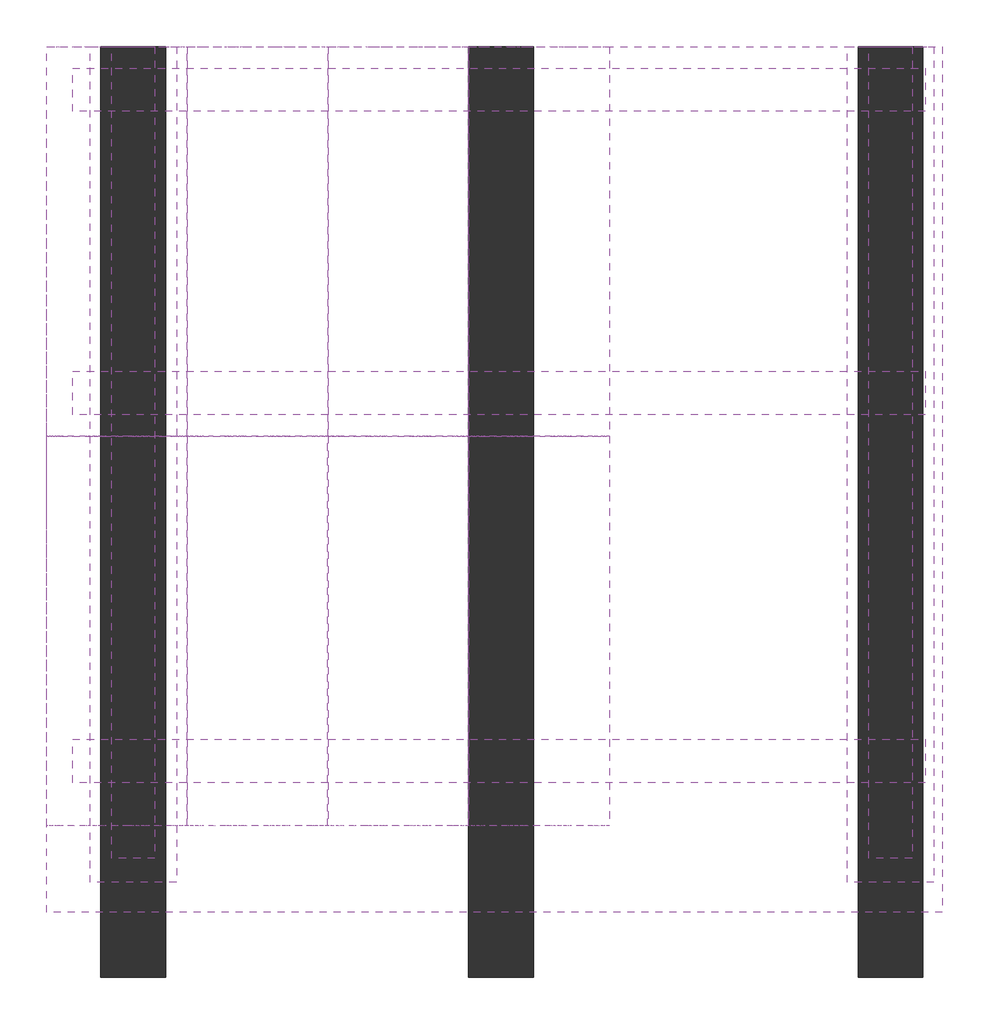
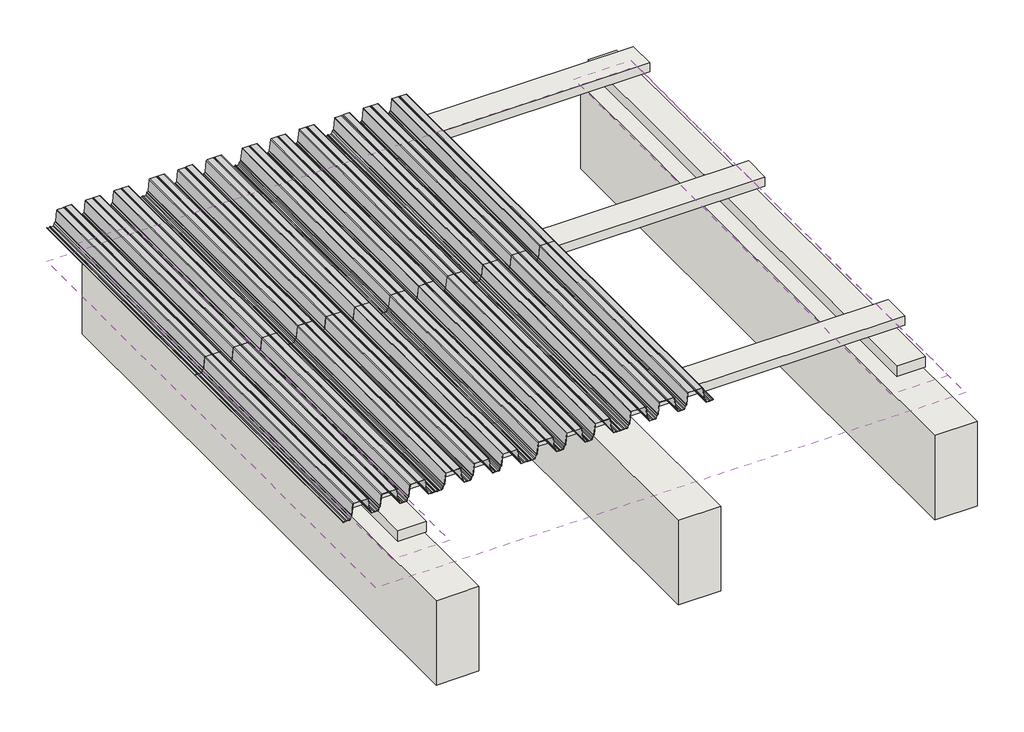
# One storey: 8 proxies, 8 walls, 3 coverings.
"""IFC4 building model written with IfcOpenShell, lengths in millimetres."""

import ifcopenshell
import ifcopenshell.guid

model = None  # the IFC model being written
_history = None  # IfcOwnerHistory: only IFC2X3 demands one
_inside = {}  # id of a spatial element -> (the spatial element, [elements in it])
_under = {}  # id of a project, library or spatial element -> (it, [spatial elements below it])
_declared = {}  # id of a project -> (the project, [libraries it declares])
_typed = {}  # id of a type object -> (the type object, [elements of that type])
_made_of = {}  # id of a material, layer set ... -> (it, [elements and type objects made of it])


def new_model(schema):
    """Start an empty IFC model of exactly this schema.

    Asked for "IFC4X3", IfcOpenShell would pick the latest addendum, in which some entities
    have other attributes; the version numbers below select the first issue.
    IFC2X3 requires an IfcOwnerHistory on every rooted entity: one is made here for all.
    """
    global model, _history
    if schema == "IFC4X3":
        model = ifcopenshell.file(schema_version=(4, 3, 0, 0))
    else:
        model = ifcopenshell.file(schema=schema)
    _inside.clear()
    _under.clear()
    _declared.clear()
    _typed.clear()
    _made_of.clear()
    _history = None
    if model.schema == "IFC2X3":
        org = make("IfcOrganization", Name="unknown")
        user = make(
            "IfcPersonAndOrganization",
            ThePerson=make("IfcPerson", FamilyName="unknown"),
            TheOrganization=org,
        )
        app = make(
            "IfcApplication",
            ApplicationDeveloper=org,
            Version="unknown",
            ApplicationFullName="unknown",
            ApplicationIdentifier="unknown",
        )
        _history = make(
            "IfcOwnerHistory",
            OwningUser=user,
            OwningApplication=app,
            ChangeAction="ADDED",
            CreationDate=0,
        )
    return model


def make(cls, **values):
    """One entity of the class cls with the attributes given. An attribute that is None is left unset."""
    return model.create_entity(
        cls, **{name: value for name, value in values.items() if value is not None}
    )


def rooted(cls, **values):
    """An entity with a GlobalId (a new one), such as an element, a storey or a relation."""
    return make(cls, GlobalId=ifcopenshell.guid.new(), OwnerHistory=_history, **values)


def si_unit(unit_type, name, prefix=None):
    """IfcSIUnit, for example si_unit("LENGTHUNIT", "METRE", prefix="MILLI")."""
    return make("IfcSIUnit", UnitType=unit_type, Prefix=prefix, Name=name)


def assignment(units):
    """IfcUnitAssignment: the units of a project."""
    return None if units is None else make("IfcUnitAssignment", Units=units)


def point(xyz):
    """IfcCartesianPoint."""
    return None if xyz is None else make("IfcCartesianPoint", Coordinates=xyz)


def direction(xyz):
    """IfcDirection."""
    return None if xyz is None else make("IfcDirection", DirectionRatios=xyz)


def frame(location, z_axis=None, x_axis=None):
    """IfcAxis2Placement3D, a coordinate frame: its origin and axes. An axis left out is left unset."""
    return make(
        "IfcAxis2Placement3D",
        Location=point(location),
        Axis=direction(z_axis),
        RefDirection=direction(x_axis),
    )


def frame_2d(location, x_axis=None):
    """IfcAxis2Placement2D, a coordinate frame in the plane: its origin and x axis."""
    return make(
        "IfcAxis2Placement2D", Location=point(location), RefDirection=direction(x_axis)
    )


def origin():
    """The frame at (0, 0, 0) with its axes left unset."""
    return frame((0.0, 0.0, 0.0))


def place(relative_to, where):
    """IfcLocalPlacement: puts the frame where relative to a parent placement (None: the world)."""
    return make(
        "IfcLocalPlacement", PlacementRelTo=relative_to, RelativePlacement=where
    )


def context(
    kind, dimensions, precision=None, world=None, true_north=None, identifier=None
):
    """IfcGeometricRepresentationContext, for example the 3D "Model" context."""
    return make(
        "IfcGeometricRepresentationContext",
        ContextIdentifier=identifier,
        ContextType=kind,
        CoordinateSpaceDimension=dimensions,
        Precision=precision,
        WorldCoordinateSystem=world,
        TrueNorth=true_north,
    )


def project(units=None, contexts=None):
    """IfcProject with its units and contexts."""
    return rooted(
        "IfcProject",
        Name="project",
        RepresentationContexts=contexts,
        UnitsInContext=assignment(units),
    )


def spatial(cls, under=None, at=None, **own):
    """A site, building, storey or space (cls), placed at a placement, below another one or the project."""
    s = rooted(cls, ObjectPlacement=at, **own)
    if under is not None:
        _under.setdefault(under.id(), (under, []))[1].append(s)
    return s


def polyline(points):
    """IfcPolyline through the points."""
    return make("IfcPolyline", Points=[point(p) for p in points])


def circle_curve(where, radius):
    """IfcCircle in the frame where."""
    return make("IfcCircle", Position=where, Radius=radius)


def trimmed(basis, trim1, trim2, sense, master):
    """IfcTrimmedCurve: the piece of a basis curve between two trims."""
    return make(
        "IfcTrimmedCurve",
        BasisCurve=basis,
        Trim1=trim1,
        Trim2=trim2,
        SenseAgreement=sense,
        MasterRepresentation=master,
    )


def segment(curve, same_sense, transition):
    """IfcCompositeCurveSegment."""
    return make(
        "IfcCompositeCurveSegment",
        Transition=transition,
        SameSense=same_sense,
        ParentCurve=curve,
    )


def composite_curve(segments, self_intersect=None):
    """IfcCompositeCurve: segments joined end to end."""
    return make("IfcCompositeCurve", Segments=segments, SelfIntersect=self_intersect)


def outline(outer, holes=None, kind="AREA"):
    """IfcArbitraryClosedProfileDef: a profile drawn as a closed curve; with holes, ...WithVoids."""
    if holes is None:
        return make("IfcArbitraryClosedProfileDef", ProfileType=kind, OuterCurve=outer)
    return make(
        "IfcArbitraryProfileDefWithVoids",
        ProfileType=kind,
        OuterCurve=outer,
        InnerCurves=holes,
    )


def extrude(swept, where, along, depth):
    """IfcExtrudedAreaSolid: the profile swept, set in the frame where, extruded along a direction by depth."""
    return make(
        "IfcExtrudedAreaSolid",
        SweptArea=swept,
        Position=where,
        ExtrudedDirection=direction(along),
        Depth=depth,
    )


def shape(context_of_items, identifier, shape_type, items):
    """IfcShapeRepresentation: the items that make up one representation, for example the "Body"."""
    return make(
        "IfcShapeRepresentation",
        ContextOfItems=context_of_items,
        RepresentationIdentifier=identifier,
        RepresentationType=shape_type,
        Items=items,
    )


def source(mapping_origin, context_of_items, identifier, shape_type, items):
    """IfcRepresentationMap: a shape defined once, which mapped items show again and again."""
    return make(
        "IfcRepresentationMap",
        MappingOrigin=mapping_origin,
        MappedRepresentation=shape(context_of_items, identifier, shape_type, items),
    )


def transform(
    local_origin,
    x_axis=None,
    y_axis=None,
    z_axis=None,
    scale=None,
    scale2=None,
    scale3=None,
    uniform=True,
):
    """IfcCartesianTransformationOperator3D, or its non-uniform kind. x_axis, y_axis, z_axis: its Axis1, 2, 3."""
    if uniform:
        return make(
            "IfcCartesianTransformationOperator3D",
            Axis1=direction(x_axis),
            Axis2=direction(y_axis),
            LocalOrigin=point(local_origin),
            Scale=scale,
            Axis3=direction(z_axis),
        )
    return make(
        "IfcCartesianTransformationOperator3DnonUniform",
        Axis1=direction(x_axis),
        Axis2=direction(y_axis),
        LocalOrigin=point(local_origin),
        Scale=scale,
        Axis3=direction(z_axis),
        Scale2=scale2,
        Scale3=scale3,
    )


def mapped(mapping_source, mapping_target):
    """IfcMappedItem: shows the shape of a source again, moved by a transform."""
    return make(
        "IfcMappedItem", MappingSource=mapping_source, MappingTarget=mapping_target
    )


def made_of(thing, what):
    """Note that an element or type object is made of a material, layer set ...; save() writes the relation."""
    if what is not None:
        _made_of.setdefault(what.id(), (what, []))[1].append(thing)
    return thing


def element(
    cls,
    number,
    at=None,
    inside=None,
    cuts=None,
    type_object=None,
    material=None,
    context=None,
    identifier="Body",
    shape_type=None,
    held_by="IfcProductDefinitionShape",
    body=None,
    shapes=None,
    **own,
):
    """One element of the class cls, such as IfcWall. Its Tag is "e" and its number.

    at: its placement. inside: the storey or other place that contains it. cuts: it is an
    opening in that element (IfcRelVoidsElement). A single representation is given by context,
    identifier, shape_type and body (its items); several are given by shapes. held_by: the class
    of the entity that holds the representations. save() writes the other relations.
    """
    e = rooted(cls, Tag="e%d" % number, ObjectPlacement=at, **own)
    if body is not None:
        shapes = [shape(context, identifier, shape_type, body)]
    if shapes is not None:
        e.Representation = make(held_by, Representations=shapes)
    if inside is not None:
        _inside.setdefault(inside.id(), (inside, []))[1].append(e)
    if cuts is not None:
        rooted(
            "IfcRelVoidsElement", RelatingBuildingElement=cuts, RelatedOpeningElement=e
        )
    if type_object is not None:
        _typed.setdefault(type_object.id(), (type_object, []))[1].append(e)
    return made_of(e, material)


def aggregate(whole, parts):
    """IfcRelAggregates: a whole, such as a stair, and the parts it consists of."""
    return rooted("IfcRelAggregates", RelatingObject=whole, RelatedObjects=parts)


def save(model, path):
    """Write the relations noted so far, then the file.

    IfcRelAggregates (storeys below a building ...), IfcRelContainedInSpatialStructure (elements
    in a storey), IfcRelDefinesByType, IfcRelAssociatesMaterial and IfcRelDeclares: one each for
    every whole, place, type object, material and project.
    """
    for whole, parts in _under.values():
        aggregate(whole, parts)
    for where, things in _inside.values():
        rooted(
            "IfcRelContainedInSpatialStructure",
            RelatedElements=things,
            RelatingStructure=where,
        )
    for kind, things in _typed.values():
        rooted("IfcRelDefinesByType", RelatedObjects=things, RelatingType=kind)
    for what, things in _made_of.values():
        rooted("IfcRelAssociatesMaterial", RelatedObjects=things, RelatingMaterial=what)
    for by, libraries in _declared.values():
        rooted("IfcRelDeclares", RelatingContext=by, RelatedDefinitions=libraries)
    model.write(path)


def generic_models_1b45e0c8(model_context):
    return source(origin(), model_context, "Body", "SweptSolid", [
        extrude(outline(composite_curve([segment(trimmed(circle_curve(frame_2d((324.6441913, 113.8058949)), 3.6361245), [point((321.3795042, 112.204889))], [point((327.9088783, 112.204889))], True, "CARTESIAN"), True, "CONTINUOUS"), segment(trimmed(circle_curve(frame_2d((330.4708747, 110.9484833)), 2.8534857), [point((327.9088783, 112.204889))], [point((330.4708747, 113.801969))], False, "CARTESIAN"), True, "CONTINUOUS"), segment(polyline([(330.4708747, 113.801969), (373.4492703, 113.801969)]), True, "CONTINUOUS"), segment(trimmed(circle_curve(frame_2d((373.4492703, 109.0613218)), 4.7406472), [point((373.4492703, 113.801969))], [point((378.1008152, 109.9761257))], False, "CARTESIAN"), True, "CONTINUOUS"), segment(polyline([(378.1008152, 109.9761257), (386.0015759, 30.7769056)]), True, "CONTINUOUS"), segment(trimmed(circle_curve(frame_2d((391.2153598, 31.2970226)), 5.2396627), [point((386.0015759, 30.7769056))], [point((387.7190783, 27.394449))], True, "CARTESIAN"), True, "CONTINUOUS"), segment(polyline([(387.7190783, 27.394449), (394.9225297, 20.9409399)]), True, "CONTINUOUS"), segment(trimmed(circle_curve(frame_2d((391.7592274, 17.41004)), 4.7406472), [point((394.9225297, 20.9409399))], [point((396.4111087, 18.3231312))], False, "CARTESIAN"), True, "CONTINUOUS"), segment(polyline([(396.4111087, 18.3231312), (399.2223324, 5.0268078)]), True, "CONTINUOUS"), segment(trimmed(circle_curve(frame_2d((404.3631679, 6.0396627)), 5.2396627), [point((399.2223324, 5.0268078))], [point((404.3631679, 0.8))], True, "CARTESIAN"), True, "CONTINUOUS"), segment(polyline([(404.3631679, 0.8), (418.2385012, 0.8)]), True, "CONTINUOUS"), segment(trimmed(circle_curve(frame_2d((418.2385012, 3.6534857)), 2.8534857), [point((418.2385012, 0.8))], [point((420.8004976, 2.39708))], True, "CARTESIAN"), True, "CONTINUOUS"), segment(trimmed(circle_curve(frame_2d((424.0651846, 0.7960741)), 3.6361245), [point((420.8004976, 2.39708))], [point((427.4480898, 2.1292486))], False, "CARTESIAN"), True, "CONTINUOUS"), segment(trimmed(circle_curve(frame_2d((429.4296465, 2.9101634)), 2.1298815), [point((427.4480898, 2.1292486))], [point((429.1405005, 0.8))], True, "CARTESIAN"), True, "CONTINUOUS"), segment(polyline([(429.1405005, 0.8), (445.0579936, 0.8)]), True, "CONTINUOUS"), segment(trimmed(circle_curve(frame_2d((445.0579936, 6.0396627)), 5.2396627), [point((445.0579936, 0.8))], [point((450.1991748, 5.0285637))], True, "CARTESIAN"), True, "CONTINUOUS"), segment(polyline([(450.1991748, 5.0285637), (453.0103893, 19.3228748)]), True, "CONTINUOUS"), segment(trimmed(circle_curve(frame_2d((457.6619342, 18.408071)), 4.7406472), [point((453.0103893, 19.3228748))], [point((454.4986319, 21.9389709))], False, "CARTESIAN"), True, "CONTINUOUS"), segment(polyline([(454.4986319, 21.9389709), (461.7020833, 28.39248)]), True, "CONTINUOUS"), segment(trimmed(circle_curve(frame_2d((458.2058017, 32.2950536)), 5.2396627), [point((461.7020833, 28.39248))], [point((463.4195857, 31.7749366))], True, "CARTESIAN"), True, "CONTINUOUS"), segment(polyline([(463.4195857, 31.7749366), (471.3203464, 110.9741566)]), True, "CONTINUOUS"), segment(trimmed(circle_curve(frame_2d((475.9718912, 110.0593528)), 4.7406472), [point((471.3203464, 110.9741566))], [point((475.9718912, 114.8))], False, "CARTESIAN"), True, "CONTINUOUS"), segment(polyline([(475.9718912, 114.8), (519.1233624, 114.8)]), True, "CONTINUOUS"), segment(trimmed(circle_curve(frame_2d((519.4125084, 112.6898366)), 2.1298815), [point((519.1233624, 114.8))], [point((521.3940652, 113.4707514))], False, "CARTESIAN"), True, "CONTINUOUS"), segment(trimmed(circle_curve(frame_2d((524.7769703, 114.8039259)), 3.6361245), [point((521.3940652, 113.4707514))], [point((528.0416574, 113.20292))], True, "CARTESIAN"), True, "CONTINUOUS"), segment(trimmed(circle_curve(frame_2d((530.6036537, 111.9465143)), 2.8534857), [point((528.0416574, 113.20292))], [point((530.6036537, 114.8))], False, "CARTESIAN"), True, "CONTINUOUS"), segment(polyline([(530.6036537, 114.8), (573.289288, 114.8)]), True, "CONTINUOUS"), segment(trimmed(circle_curve(frame_2d((573.289288, 110.0593528)), 4.7406472), [point((573.289288, 114.8))], [point((577.9408329, 110.9741566))], False, "CARTESIAN"), True, "CONTINUOUS"), segment(polyline([(577.9408329, 110.9741566), (585.8415936, 31.7749366)]), True, "CONTINUOUS"), segment(trimmed(circle_curve(frame_2d((591.0553775, 32.2950536)), 5.2396627), [point((585.8415936, 31.7749366))], [point((587.559096, 28.39248))], True, "CARTESIAN"), True, "CONTINUOUS"), segment(polyline([(587.559096, 28.39248), (594.7625474, 21.9389709)]), True, "CONTINUOUS"), segment(trimmed(circle_curve(frame_2d((591.5992451, 18.408071)), 4.7406472), [point((594.7625474, 21.9389709))], [point((596.25079, 19.3228748))], False, "CARTESIAN"), True, "CONTINUOUS"), segment(polyline([(596.25079, 19.3228748), (599.0620045, 5.0285637)]), True, "CONTINUOUS"), segment(trimmed(circle_curve(frame_2d((604.2031856, 6.0396627)), 5.2396627), [point((599.0620045, 5.0285637))], [point((604.2031856, 0.8))], True, "CARTESIAN"), True, "CONTINUOUS"), segment(polyline([(604.2031856, 0.8), (620.1206788, 0.8)]), True, "CONTINUOUS"), segment(trimmed(circle_curve(frame_2d((619.8315328, 2.9101634)), 2.1298815), [point((620.1206788, 0.8))], [point((621.8130895, 2.1292486))], True, "CARTESIAN"), True, "CONTINUOUS"), segment(trimmed(circle_curve(frame_2d((625.1959947, 0.7960741)), 3.6361245), [point((621.8130895, 2.1292486))], [point((628.5788998, 2.1292486))], False, "CARTESIAN"), True, "CONTINUOUS"), segment(trimmed(circle_curve(frame_2d((630.5604565, 2.9101634)), 2.1298815), [point((628.5788998, 2.1292486))], [point((630.2713105, 0.8))], True, "CARTESIAN"), True, "CONTINUOUS"), segment(polyline([(630.2713105, 0.8), (644.1927417, 0.8)]), True, "CONTINUOUS"), segment(trimmed(circle_curve(frame_2d((644.1927417, 6.0396627)), 5.2396627), [point((644.1927417, 0.8))], [point((649.2883825, 4.8196179))], True, "CARTESIAN"), True, "CONTINUOUS"), segment(polyline([(649.2883825, 4.8196179), (650.0663931, 4.6333395)]), True, "CONTINUOUS"), segment(trimmed(circle_curve(frame_2d((644.1927417, 6.0396627)), 6.0396627), [point((650.0663931, 4.6333395))], [point((644.1927417, 0.0))], False, "CARTESIAN"), True, "CONTINUOUS"), segment(polyline([(644.1927417, 0.0), (630.2211126, 0.0)]), True, "CONTINUOUS"), segment(trimmed(circle_curve(frame_2d((630.5604565, 2.9101634)), 2.9298815), [point((630.2211126, 0.0))], [point((627.8346117, 1.8359309))], False, "CARTESIAN"), True, "CONTINUOUS"), segment(trimmed(circle_curve(frame_2d((625.1959947, 0.7960741)), 2.8361245), [point((627.8346117, 1.8359309))], [point((622.5573776, 1.8359309))], True, "CARTESIAN"), True, "CONTINUOUS"), segment(trimmed(circle_curve(frame_2d((619.8315328, 2.9101634)), 2.9298815), [point((622.5573776, 1.8359309))], [point((620.1708767, 0.0))], False, "CARTESIAN"), True, "CONTINUOUS"), segment(polyline([(620.1708767, 0.0), (604.2031856, 0.0)]), True, "CONTINUOUS"), segment(trimmed(circle_curve(frame_2d((604.2031856, 6.0396627)), 6.0396627), [point((604.2031856, 0.0))], [point((598.2770408, 4.8741875))], False, "CARTESIAN"), True, "CONTINUOUS"), segment(polyline([(598.2770408, 4.8741875), (595.4658263, 19.1684986)]), True, "CONTINUOUS"), segment(trimmed(circle_curve(frame_2d((591.5992451, 18.408071)), 3.9406472), [point((595.4658263, 19.1684986))], [point((594.2287296, 21.3431197))], True, "CARTESIAN"), True, "CONTINUOUS"), segment(polyline([(594.2287296, 21.3431197), (587.0252782, 27.7966289)]), True, "CONTINUOUS"), segment(trimmed(circle_curve(frame_2d((591.0553775, 32.2950536)), 6.0396627), [point((587.0252782, 27.7966289))], [point((585.0455448, 31.6955243))], False, "CARTESIAN"), True, "CONTINUOUS"), segment(polyline([(585.0455448, 31.6955243), (577.1487237, 110.8552525)]), True, "CONTINUOUS"), segment(trimmed(circle_curve(frame_2d((573.289288, 110.0593528)), 3.9406472), [point((577.1487237, 110.8552525))], [point((573.289288, 114.0))], True, "CARTESIAN"), True, "CONTINUOUS"), segment(polyline([(573.289288, 114.0), (530.6036537, 114.0)]), True, "CONTINUOUS"), segment(trimmed(circle_curve(frame_2d((530.6036537, 111.9465143)), 2.0534857), [point((530.6036537, 114.0))], [point((528.7599357, 112.8506755))], True, "CARTESIAN"), True, "CONTINUOUS"), segment(trimmed(circle_curve(frame_2d((524.7769703, 114.8039259)), 4.4361245), [point((528.7599357, 112.8506755))], [point((520.6497771, 113.1774338))], False, "CARTESIAN"), True, "CONTINUOUS"), segment(trimmed(circle_curve(frame_2d((519.4125084, 112.6898366)), 1.3298815), [point((520.6497771, 113.1774338))], [point((519.1843494, 114.0))], True, "CARTESIAN"), True, "CONTINUOUS"), segment(polyline([(519.1843494, 114.0), (475.9718912, 114.0)]), True, "CONTINUOUS"), segment(trimmed(circle_curve(frame_2d((475.9718912, 110.0593528)), 3.9406472), [point((475.9718912, 114.0))], [point((472.1124555, 110.8552525))], True, "CARTESIAN"), True, "CONTINUOUS"), segment(polyline([(472.1124555, 110.8552525), (464.2156345, 31.6955243)]), True, "CONTINUOUS"), segment(trimmed(circle_curve(frame_2d((458.2058017, 32.2950536)), 6.0396627), [point((464.2156345, 31.6955243))], [point((462.2359011, 27.7966289))], False, "CARTESIAN"), True, "CONTINUOUS"), segment(polyline([(462.2359011, 27.7966289), (455.0324497, 21.3431197)]), True, "CONTINUOUS"), segment(trimmed(circle_curve(frame_2d((457.6619342, 18.408071)), 3.9406472), [point((455.0324497, 21.3431197))], [point((453.795353, 19.1684986))], True, "CARTESIAN"), True, "CONTINUOUS"), segment(polyline([(453.795353, 19.1684986), (450.9841385, 4.8741875)]), True, "CONTINUOUS"), segment(trimmed(circle_curve(frame_2d((445.0579936, 6.0396627)), 6.0396627), [point((450.9841385, 4.8741875))], [point((445.0579936, 0.0))], False, "CARTESIAN"), True, "CONTINUOUS"), segment(polyline([(445.0579936, 0.0), (429.0903025, 0.0)]), True, "CONTINUOUS"), segment(trimmed(circle_curve(frame_2d((429.4296465, 2.9101634)), 2.9298815), [point((429.0903025, 0.0))], [point((426.7038017, 1.8359309))], False, "CARTESIAN"), True, "CONTINUOUS"), segment(trimmed(circle_curve(frame_2d((424.0651846, 0.7960741)), 2.8361245), [point((426.7038017, 1.8359309))], [point((421.518776, 2.0448356))], True, "CARTESIAN"), True, "CONTINUOUS"), segment(trimmed(circle_curve(frame_2d((418.2385012, 3.6534857)), 3.6534857), [point((421.518776, 2.0448356))], [point((418.2385012, 0.0))], False, "CARTESIAN"), True, "CONTINUOUS"), segment(polyline([(418.2385012, 0.0), (404.3631679, 0.0)]), True, "CONTINUOUS"), segment(trimmed(circle_curve(frame_2d((404.3631679, 6.0396627)), 6.0396627), [point((404.3631679, 0.0))], [point((398.4385315, 4.8665436))], False, "CARTESIAN"), True, "CONTINUOUS"), segment(polyline([(398.4385315, 4.8665436), (395.6271529, 18.1635996)]), True, "CONTINUOUS"), segment(trimmed(circle_curve(frame_2d((391.7592274, 17.41004)), 3.9406472), [point((395.6271529, 18.1635996))], [point((394.3887119, 20.3450888))], True, "CARTESIAN"), True, "CONTINUOUS"), segment(polyline([(394.3887119, 20.3450888), (387.1852605, 26.7985979)]), True, "CONTINUOUS"), segment(trimmed(circle_curve(frame_2d((391.2153598, 31.2970226)), 6.0396627), [point((387.1852605, 26.7985979))], [point((385.2055271, 30.6974933))], False, "CARTESIAN"), True, "CONTINUOUS"), segment(polyline([(385.2055271, 30.6974933), (377.308706, 109.8572215)]), True, "CONTINUOUS"), segment(trimmed(circle_curve(frame_2d((373.4492703, 109.0613218)), 3.9406472), [point((377.308706, 109.8572215))], [point((373.4492703, 113.001969))], True, "CARTESIAN"), True, "CONTINUOUS"), segment(polyline([(373.4492703, 113.001969), (330.4708747, 113.001969)]), True, "CONTINUOUS"), segment(trimmed(circle_curve(frame_2d((330.4708747, 110.9484833)), 2.0534857), [point((330.4708747, 113.001969))], [point((328.6271567, 111.8526445))], True, "CARTESIAN"), True, "CONTINUOUS"), segment(trimmed(circle_curve(frame_2d((324.6441913, 113.8058949)), 4.4361245), [point((328.6271567, 111.8526445))], [point((320.6612258, 111.8526445))], False, "CARTESIAN"), True, "CONTINUOUS"), segment(trimmed(circle_curve(frame_2d((318.8175079, 110.9484833)), 2.0534857), [point((320.6612258, 111.8526445))], [point((318.8175079, 113.001969))], True, "CARTESIAN"), True, "CONTINUOUS"), segment(polyline([(318.8175079, 113.001969), (275.8391122, 113.001969)]), True, "CONTINUOUS"), segment(trimmed(circle_curve(frame_2d((275.8391122, 109.0613218)), 3.9406472), [point((275.8391122, 113.001969))], [point((271.9796765, 109.8572215))], True, "CARTESIAN"), True, "CONTINUOUS"), segment(polyline([(271.9796765, 109.8572215), (264.0828555, 30.6974933)]), True, "CONTINUOUS"), segment(trimmed(circle_curve(frame_2d((258.0730227, 31.2970226)), 6.0396627), [point((264.0828555, 30.6974933))], [point((262.103122, 26.7985979))], False, "CARTESIAN"), True, "CONTINUOUS"), segment(polyline([(262.103122, 26.7985979), (254.8996706, 20.3450888)]), True, "CONTINUOUS"), segment(trimmed(circle_curve(frame_2d((257.5291552, 17.41004)), 3.9406472), [point((254.8996706, 20.3450888))], [point((253.6612296, 18.1635996))], True, "CARTESIAN"), True, "CONTINUOUS"), segment(polyline([(253.6612296, 18.1635996), (250.849851, 4.8665436)]), True, "CONTINUOUS"), segment(trimmed(circle_curve(frame_2d((244.9252146, 6.0396627)), 6.0396627), [point((250.849851, 4.8665436))], [point((244.9252146, 0.0))], False, "CARTESIAN"), True, "CONTINUOUS"), segment(polyline([(244.9252146, 0.0), (231.0498813, 0.0)]), True, "CONTINUOUS"), segment(trimmed(circle_curve(frame_2d((231.0498813, 3.6534857)), 3.6534857), [point((231.0498813, 0.0))], [point((227.7696066, 2.0448356))], False, "CARTESIAN"), True, "CONTINUOUS"), segment(trimmed(circle_curve(frame_2d((225.2231979, 0.7960741)), 2.8361245), [point((227.7696066, 2.0448356))], [point((222.5845808, 1.8359309))], True, "CARTESIAN"), True, "CONTINUOUS"), segment(trimmed(circle_curve(frame_2d((219.858736, 2.9101634)), 2.9298815), [point((222.5845808, 1.8359309))], [point((220.19808, 0.0))], False, "CARTESIAN"), True, "CONTINUOUS"), segment(polyline([(220.19808, 0.0), (204.2303889, 0.0)]), True, "CONTINUOUS"), segment(trimmed(circle_curve(frame_2d((204.2303889, 6.0396627)), 6.0396627), [point((204.2303889, 0.0))], [point((198.304244, 4.8741875))], False, "CARTESIAN"), True, "CONTINUOUS"), segment(polyline([(198.304244, 4.8741875), (195.4930295, 19.1684986)]), True, "CONTINUOUS"), segment(trimmed(circle_curve(frame_2d((191.6264483, 18.408071)), 3.9406472), [point((195.4930295, 19.1684986))], [point((194.2559329, 21.3431197))], True, "CARTESIAN"), True, "CONTINUOUS"), segment(polyline([(194.2559329, 21.3431197), (187.0524815, 27.7966289)]), True, "CONTINUOUS"), segment(trimmed(circle_curve(frame_2d((191.0825808, 32.2950536)), 6.0396627), [point((187.0524815, 27.7966289))], [point((185.072748, 31.6955243))], False, "CARTESIAN"), True, "CONTINUOUS"), segment(polyline([(185.072748, 31.6955243), (177.175927, 110.8552525)]), True, "CONTINUOUS"), segment(trimmed(circle_curve(frame_2d((173.3164913, 110.0593528)), 3.9406472), [point((177.175927, 110.8552525))], [point((173.3164913, 114.0))], True, "CARTESIAN"), True, "CONTINUOUS"), segment(polyline([(173.3164913, 114.0), (130.1040332, 114.0)]), True, "CONTINUOUS"), segment(trimmed(circle_curve(frame_2d((129.8758741, 112.6898366)), 1.3298815), [point((130.1040332, 114.0))], [point((128.6386055, 113.1774338))], True, "CARTESIAN"), True, "CONTINUOUS"), segment(trimmed(circle_curve(frame_2d((124.5114122, 114.8039259)), 4.4361245), [point((128.6386055, 113.1774338))], [point((120.5284468, 112.8506755))], False, "CARTESIAN"), True, "CONTINUOUS"), segment(trimmed(circle_curve(frame_2d((118.6847288, 111.9465143)), 2.0534857), [point((120.5284468, 112.8506755))], [point((118.6847288, 114.0))], True, "CARTESIAN"), True, "CONTINUOUS"), segment(polyline([(118.6847288, 114.0), (75.9990945, 114.0)]), True, "CONTINUOUS"), segment(trimmed(circle_curve(frame_2d((75.9990945, 110.0593528)), 3.9406472), [point((75.9990945, 114.0))], [point((72.1396588, 110.8552525))], True, "CARTESIAN"), True, "CONTINUOUS"), segment(polyline([(72.1396588, 110.8552525), (64.2428378, 31.6955243)]), True, "CONTINUOUS"), segment(trimmed(circle_curve(frame_2d((58.233005, 32.2950536)), 6.0396627), [point((64.2428378, 31.6955243))], [point((62.2631043, 27.7966289))], False, "CARTESIAN"), True, "CONTINUOUS"), segment(polyline([(62.2631043, 27.7966289), (55.0596529, 21.3431197)]), True, "CONTINUOUS"), segment(trimmed(circle_curve(frame_2d((57.6891375, 18.408071)), 3.9406472), [point((55.0596529, 21.3431197))], [point((53.8225563, 19.1684986))], True, "CARTESIAN"), True, "CONTINUOUS"), segment(polyline([(53.8225563, 19.1684986), (51.0113418, 4.8741875)]), True, "CONTINUOUS"), segment(trimmed(circle_curve(frame_2d((45.0851969, 6.0396627)), 6.0396627), [point((51.0113418, 4.8741875))], [point((45.0851969, 0.0))], False, "CARTESIAN"), True, "CONTINUOUS"), segment(polyline([(45.0851969, 0.0), (29.1175058, 0.0)]), True, "CONTINUOUS"), segment(trimmed(circle_curve(frame_2d((29.4568498, 2.9101634)), 2.9298815), [point((29.1175058, 0.0))], [point((26.731005, 1.8359309))], False, "CARTESIAN"), True, "CONTINUOUS"), segment(trimmed(circle_curve(frame_2d((24.0923879, 0.7960741)), 2.8361245), [point((26.731005, 1.8359309))], [point((21.4537708, 1.8359309))], True, "CARTESIAN"), True, "CONTINUOUS"), segment(trimmed(circle_curve(frame_2d((18.727926, 2.9101634)), 2.9298815), [point((21.4537708, 1.8359309))], [point((19.06727, 0.0))], False, "CARTESIAN"), True, "CONTINUOUS"), segment(polyline([(19.06727, 0.0), (5.0956409, 0.0)]), True, "CONTINUOUS"), segment(trimmed(circle_curve(frame_2d((5.0956409, 6.0396627)), 6.0396627), [point((5.0956409, 0.0))], [point((-0.7780105, 4.6333395))], False, "CARTESIAN"), True, "CONTINUOUS"), segment(polyline([(-0.7780105, 4.6333395), (0.0, 4.8196179)]), True, "CONTINUOUS"), segment(trimmed(circle_curve(frame_2d((5.0956409, 6.0396627)), 5.2396627), [point((0.0, 4.8196179))], [point((5.0956409, 0.8))], True, "CARTESIAN"), True, "CONTINUOUS"), segment(polyline([(5.0956409, 0.8), (19.0170721, 0.8)]), True, "CONTINUOUS"), segment(trimmed(circle_curve(frame_2d((18.727926, 2.9101634)), 2.1298815), [point((19.0170721, 0.8))], [point((20.7094827, 2.1292486))], True, "CARTESIAN"), True, "CONTINUOUS"), segment(trimmed(circle_curve(frame_2d((24.0923879, 0.7960741)), 3.6361245), [point((20.7094827, 2.1292486))], [point((27.475293, 2.1292486))], False, "CARTESIAN"), True, "CONTINUOUS"), segment(trimmed(circle_curve(frame_2d((29.4568498, 2.9101634)), 2.1298815), [point((27.475293, 2.1292486))], [point((29.1677037, 0.8))], True, "CARTESIAN"), True, "CONTINUOUS"), segment(polyline([(29.1677037, 0.8), (45.0851969, 0.8)]), True, "CONTINUOUS"), segment(trimmed(circle_curve(frame_2d((45.0851969, 6.0396627)), 5.2396627), [point((45.0851969, 0.8))], [point((50.2263781, 5.0285637))], True, "CARTESIAN"), True, "CONTINUOUS"), segment(polyline([(50.2263781, 5.0285637), (53.0375926, 19.3228748)]), True, "CONTINUOUS"), segment(trimmed(circle_curve(frame_2d((57.6891375, 18.408071)), 4.7406472), [point((53.0375926, 19.3228748))], [point((54.5258351, 21.9389709))], False, "CARTESIAN"), True, "CONTINUOUS"), segment(polyline([(54.5258351, 21.9389709), (61.7292865, 28.39248)]), True, "CONTINUOUS"), segment(trimmed(circle_curve(frame_2d((58.233005, 32.2950536)), 5.2396627), [point((61.7292865, 28.39248))], [point((63.446789, 31.7749366))], True, "CARTESIAN"), True, "CONTINUOUS"), segment(polyline([(63.446789, 31.7749366), (71.3475496, 110.9741566)]), True, "CONTINUOUS"), segment(trimmed(circle_curve(frame_2d((75.9990945, 110.0593528)), 4.7406472), [point((71.3475496, 110.9741566))], [point((75.9990945, 114.8))], False, "CARTESIAN"), True, "CONTINUOUS"), segment(polyline([(75.9990945, 114.8), (118.6847288, 114.8)]), True, "CONTINUOUS"), segment(trimmed(circle_curve(frame_2d((118.6847288, 111.9465143)), 2.8534857), [point((118.6847288, 114.8))], [point((121.2467252, 113.20292))], False, "CARTESIAN"), True, "CONTINUOUS"), segment(trimmed(circle_curve(frame_2d((124.5114122, 114.8039259)), 3.6361245), [point((121.2467252, 113.20292))], [point((127.8943174, 113.4707514))], True, "CARTESIAN"), True, "CONTINUOUS"), segment(trimmed(circle_curve(frame_2d((129.8758741, 112.6898366)), 2.1298815), [point((127.8943174, 113.4707514))], [point((130.1650202, 114.8))], False, "CARTESIAN"), True, "CONTINUOUS"), segment(polyline([(130.1650202, 114.8), (173.3164913, 114.8)]), True, "CONTINUOUS"), segment(trimmed(circle_curve(frame_2d((173.3164913, 110.0593528)), 4.7406472), [point((173.3164913, 114.8))], [point((177.9680362, 110.9741566))], False, "CARTESIAN"), True, "CONTINUOUS"), segment(polyline([(177.9680362, 110.9741566), (185.8687968, 31.7749366)]), True, "CONTINUOUS"), segment(trimmed(circle_curve(frame_2d((191.0825808, 32.2950536)), 5.2396627), [point((185.8687968, 31.7749366))], [point((187.5862993, 28.39248))], True, "CARTESIAN"), True, "CONTINUOUS"), segment(polyline([(187.5862993, 28.39248), (194.7897507, 21.9389709)]), True, "CONTINUOUS"), segment(trimmed(circle_curve(frame_2d((191.6264483, 18.408071)), 4.7406472), [point((194.7897507, 21.9389709))], [point((196.2779932, 19.3228748))], False, "CARTESIAN"), True, "CONTINUOUS"), segment(polyline([(196.2779932, 19.3228748), (199.0892077, 5.0285637)]), True, "CONTINUOUS"), segment(trimmed(circle_curve(frame_2d((204.2303889, 6.0396627)), 5.2396627), [point((199.0892077, 5.0285637))], [point((204.2303889, 0.8))], True, "CARTESIAN"), True, "CONTINUOUS"), segment(polyline([(204.2303889, 0.8), (220.1478821, 0.8)]), True, "CONTINUOUS"), segment(trimmed(circle_curve(frame_2d((219.858736, 2.9101634)), 2.1298815), [point((220.1478821, 0.8))], [point((221.8402928, 2.1292486))], True, "CARTESIAN"), True, "CONTINUOUS"), segment(trimmed(circle_curve(frame_2d((225.2231979, 0.7960741)), 3.6361245), [point((221.8402928, 2.1292486))], [point((228.487885, 2.39708))], False, "CARTESIAN"), True, "CONTINUOUS"), segment(trimmed(circle_curve(frame_2d((231.0498813, 3.6534857)), 2.8534857), [point((228.487885, 2.39708))], [point((231.0498813, 0.8))], True, "CARTESIAN"), True, "CONTINUOUS"), segment(polyline([(231.0498813, 0.8), (244.9252146, 0.8)]), True, "CONTINUOUS"), segment(trimmed(circle_curve(frame_2d((244.9252146, 6.0396627)), 5.2396627), [point((244.9252146, 0.8))], [point((250.0660501, 5.0268078))], True, "CARTESIAN"), True, "CONTINUOUS"), segment(polyline([(250.0660501, 5.0268078), (252.8772738, 18.3231312)]), True, "CONTINUOUS"), segment(trimmed(circle_curve(frame_2d((257.5291552, 17.41004)), 4.7406472), [point((252.8772738, 18.3231312))], [point((254.3658528, 20.9409399))], False, "CARTESIAN"), True, "CONTINUOUS"), segment(polyline([(254.3658528, 20.9409399), (261.5693042, 27.394449)]), True, "CONTINUOUS"), segment(trimmed(circle_curve(frame_2d((258.0730227, 31.2970226)), 5.2396627), [point((261.5693042, 27.394449))], [point((263.2868067, 30.7769056))], True, "CARTESIAN"), True, "CONTINUOUS"), segment(polyline([(263.2868067, 30.7769056), (271.1875673, 109.9761257)]), True, "CONTINUOUS"), segment(trimmed(circle_curve(frame_2d((275.8391122, 109.0613218)), 4.7406472), [point((271.1875673, 109.9761257))], [point((275.8391122, 113.801969))], False, "CARTESIAN"), True, "CONTINUOUS"), segment(polyline([(275.8391122, 113.801969), (318.8175079, 113.801969)]), True, "CONTINUOUS"), segment(trimmed(circle_curve(frame_2d((318.8175079, 110.9484833)), 2.8534857), [point((318.8175079, 113.801969))], [point((321.3795042, 112.204889))], False, "CARTESIAN"), True, "CONTINUOUS")], self_intersect=False)), frame((0.0, 0.0, 0.0), z_axis=(1.0, 0.0, 0.0), x_axis=(0.0, 1.0, 0.0)), (0.0, 0.0, 1.0), 1800.0),
    ])


model = new_model("IFC4")

# Units and contexts
model_context = context("Model", 3, world=origin())
ifc_project = project(units=[si_unit("LENGTHUNIT", "METRE", prefix="MILLI")], contexts=[model_context])

# Site, building, storey
site = spatial("IfcSite", under=ifc_project)
building = spatial("IfcBuilding", under=site)
storey = spatial("IfcBuildingStorey", under=building, Elevation=0.0)

# Proxies
placement = place(None, origin())
generic_models_shape = generic_models_1b45e0c8(model_context)
element("IfcBuildingElementProxy", 1, Name="Generic Models", at=placement, inside=storey, context=model_context, shape_type="MappedRepresentation", body=[
    mapped(generic_models_shape, transform((-14685.4487567, 13369.9265639, 1943.4978386), x_axis=(0.0, -1.0, 0.0), y_axis=(1.0, 0.0, 0.0), z_axis=(0.0, 0.0, 1.0))),
])
element("IfcBuildingElementProxy", 2, Name="Generic Models", at=placement, inside=storey, context=model_context, shape_type="MappedRepresentation", body=[
    mapped(generic_models_shape, transform((-14685.4487567, 11569.9265639, 1943.4978386), x_axis=(0.0, -1.0, 0.0), y_axis=(1.0, 0.0, 0.0), z_axis=(0.0, 0.0, 1.0))),
])
element("IfcBuildingElementProxy", 3, Name="Generic Models", at=placement, inside=storey, context=model_context, shape_type="MappedRepresentation", body=[
    mapped(generic_models_shape, transform((-14035.3823636, 13369.9265639, 1943.4978386), x_axis=(0.0, -1.0, 0.0), y_axis=(1.0, 0.0, 0.0), z_axis=(0.0, 0.0, 1.0))),
])
element("IfcBuildingElementProxy", 4, Name="Generic Models", at=placement, inside=storey, context=model_context, shape_type="MappedRepresentation", body=[
    mapped(generic_models_shape, transform((-14035.3823636, 11569.9265639, 1943.4978386), x_axis=(0.0, -1.0, 0.0), y_axis=(1.0, 0.0, 0.0), z_axis=(0.0, 0.0, 1.0))),
])
element("IfcBuildingElementProxy", 5, Name="Generic Models", at=placement, inside=storey, context=model_context, shape_type="MappedRepresentation", body=[
    mapped(generic_models_shape, transform((-13385.3159705, 13369.9265639, 1943.4978386), x_axis=(0.0, -1.0, 0.0), y_axis=(1.0, 0.0, 0.0), z_axis=(0.0, 0.0, 1.0))),
])
element("IfcBuildingElementProxy", 6, Name="Generic Models", at=placement, inside=storey, context=model_context, shape_type="MappedRepresentation", body=[
    mapped(generic_models_shape, transform((-12735.3159705, 13369.9265639, 1943.4978386), x_axis=(0.0, -1.0, 0.0), y_axis=(1.0, 0.0, 0.0), z_axis=(0.0, 0.0, 1.0))),
])
element("IfcBuildingElementProxy", 7, Name="Generic Models", at=placement, inside=storey, context=model_context, shape_type="MappedRepresentation", body=[
    mapped(generic_models_shape, transform((-13386.0939811, 11569.9265639, 1943.4978386), x_axis=(0.0, -1.0, 0.0), y_axis=(1.0, 0.0, 0.0), z_axis=(0.0, 0.0, 1.0))),
])
element("IfcBuildingElementProxy", 8, Name="Generic Models", at=placement, inside=storey, context=model_context, shape_type="MappedRepresentation", body=[
    mapped(generic_models_shape, transform((-12735.3159705, 11569.9265639, 1943.4978386), x_axis=(0.0, -1.0, 0.0), y_axis=(1.0, 0.0, 0.0), z_axis=(0.0, 0.0, 1.0))),
])

# Coverings
element("IfcCovering", 9, at=placement, inside=storey, context=model_context, shape_type="SweptSolid", body=[
    extrude(outline(polyline([(-10545.4487567, 13369.9265639), (-10545.4487567, 9369.9265639), (-14685.4487567, 9369.9265639), (-14685.4487567, 13369.9265639), (-10545.4487567, 13369.9265639)])), frame((0.0, 0.0, 1700.0), z_axis=(0.0, 0.0, 1.0), x_axis=(1.0, 0.0, 0.0)), (0.0, 0.0, 1.0), 57.0),
])
element("IfcCovering", 10, at=placement, inside=storey, context=model_context, shape_type="SweptSolid", body=[
    extrude(outline(polyline([(-14085.4487567, 13369.9265639), (-14085.4487567, 9509.9265639), (-14485.4487567, 9509.9265639), (-14485.4487567, 13369.9265639), (-14085.4487567, 13369.9265639)])), frame((0.0, 0.0, 1757.0), z_axis=(0.0, 0.0, 1.0), x_axis=(1.0, 0.0, 0.0)), (0.0, 0.0, 1.0), 21.0),
])
element("IfcCovering", 11, at=placement, inside=storey, context=model_context, shape_type="SweptSolid", body=[
    extrude(outline(polyline([(-10585.4487567, 13369.9265639), (-10585.4487567, 9509.9265639), (-10985.4487567, 9509.9265639), (-10985.4487567, 13369.9265639), (-10585.4487567, 13369.9265639)])), frame((0.0, 0.0, 1757.0), z_axis=(0.0, 0.0, 1.0), x_axis=(1.0, 0.0, 0.0)), (0.0, 0.0, 1.0), 21.0),
])

# Walls
element("IfcWall", 12, at=placement, inside=storey, context=model_context, shape_type="SweptSolid", body=[
    extrude(outline(polyline([(-14435.4487567, 9069.9265639), (-14435.4487567, 13369.9265639), (-14135.4487567, 13369.9265639), (-14135.4487567, 9069.9265639), (-14435.4487567, 9069.9265639)])), frame((0.0, 0.0, 1072.9818651), z_axis=(0.0, 0.0, 1.0), x_axis=(1.0, 0.0, 0.0)), (0.0, 0.0, 1.0), 627.0181349),
])
element("IfcWall", 13, at=placement, inside=storey, context=model_context, shape_type="SweptSolid", body=[
    extrude(outline(polyline([(-10885.4487567, 9619.9265639), (-10885.4487567, 13369.9265639), (-10685.4487567, 13369.9265639), (-10685.4487567, 9619.9265639), (-10885.4487567, 9619.9265639)])), frame((0.0, 0.0, 1788.0), z_axis=(0.0, 0.0, 1.0), x_axis=(1.0, 0.0, 0.0)), (0.0, 0.0, 1.0), 78.5902625),
])
element("IfcWall", 14, at=placement, inside=storey, context=model_context, shape_type="SweptSolid", body=[
    extrude(outline(polyline([(-10935.4487567, 9069.9265639), (-10935.4487567, 13369.9265639), (-10635.4487567, 13369.9265639), (-10635.4487567, 9069.9265639), (-10935.4487567, 9069.9265639)])), frame((0.0, 0.0, 1072.9818651), z_axis=(0.0, 0.0, 1.0), x_axis=(1.0, 0.0, 0.0)), (0.0, 0.0, 1.0), 627.0181349),
])
element("IfcWall", 15, at=placement, inside=storey, context=model_context, shape_type="SweptSolid", body=[
    extrude(outline(polyline([(-10625.4487567, 9969.9265639), (-14565.4487567, 9969.9265639), (-14565.4487567, 10169.9265639), (-10625.4487567, 10169.9265639), (-10625.4487567, 9969.9265639)])), frame((0.0, 0.0, 1866.5902625), z_axis=(0.0, 0.0, 1.0), x_axis=(1.0, 0.0, 0.0)), (0.0, 0.0, 1.0), 66.9075761),
])
element("IfcWall", 16, at=placement, inside=storey, context=model_context, shape_type="SweptSolid", body=[
    extrude(outline(polyline([(-14385.4487567, 9619.9265639), (-14385.4487567, 13369.9265639), (-14185.4487567, 13369.9265639), (-14185.4487567, 9619.9265639), (-14385.4487567, 9619.9265639)])), frame((0.0, 0.0, 1788.0), z_axis=(0.0, 0.0, 1.0), x_axis=(1.0, 0.0, 0.0)), (0.0, 0.0, 1.0), 78.5902625),
])
element("IfcWall", 17, at=placement, inside=storey, context=model_context, shape_type="SweptSolid", body=[
    extrude(outline(polyline([(-10625.4487567, 11669.9265639), (-14565.4487567, 11669.9265639), (-14565.4487567, 11869.9265639), (-10625.4487567, 11869.9265639), (-10625.4487567, 11669.9265639)])), frame((0.0, 0.0, 1866.5902625), z_axis=(0.0, 0.0, 1.0), x_axis=(1.0, 0.0, 0.0)), (0.0, 0.0, 1.0), 66.9075761),
])
element("IfcWall", 18, at=placement, inside=storey, context=model_context, shape_type="SweptSolid", body=[
    extrude(outline(polyline([(-10625.4487567, 13069.9265639), (-14565.4487567, 13069.9265639), (-14565.4487567, 13269.9265639), (-10625.4487567, 13269.9265639), (-10625.4487567, 13069.9265639)])), frame((0.0, 0.0, 1866.5902625), z_axis=(0.0, 0.0, 1.0), x_axis=(1.0, 0.0, 0.0)), (0.0, 0.0, 1.0), 66.9075761),
])
element("IfcWall", 19, at=placement, inside=storey, context=model_context, shape_type="SweptSolid", body=[
    extrude(outline(polyline([(-12735.4487567, 9069.9265639), (-12735.4487567, 13369.9265639), (-12435.4487567, 13369.9265639), (-12435.4487567, 9069.9265639), (-12735.4487567, 9069.9265639)])), frame((0.0, 0.0, 1072.9818651), z_axis=(0.0, 0.0, 1.0), x_axis=(1.0, 0.0, 0.0)), (0.0, 0.0, 1.0), 627.0181349),
])

save(model, "model.ifc")
